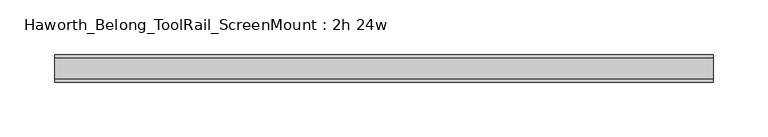
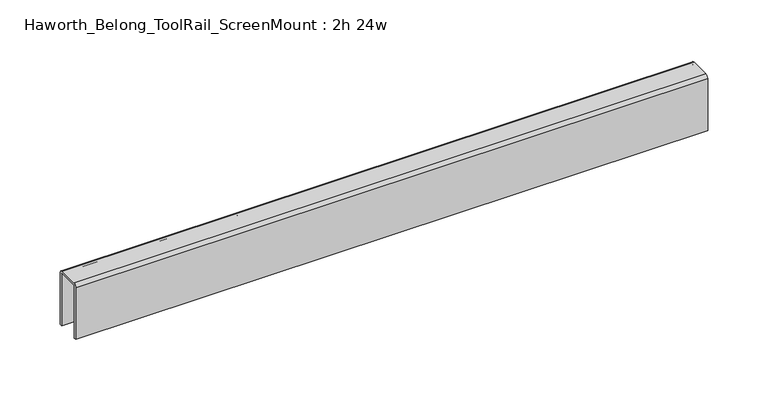
"""IFC4 building model written with IfcOpenShell, lengths in millimetres: furniture geometry, Haworth_Belong_ToolRail_ScreenMount : 2h 24w."""

from ifc_helpers import new_model, si_unit, point, frame, frame_2d, origin, place, context, project, spatial, polyline, circle_curve, trimmed, segment, composite_curve, outline, extrude, source, transform, mapped, element, save


def haworth_belong_toolrail_screenmount_2h_24w_61b9d732(model_context):
    return source(origin(), model_context, "Body", "SweptSolid", [
        extrude(outline(composite_curve([segment(trimmed(circle_curve(frame_2d((9.525, 865.1875)), 3.175), [point((9.525, 868.3625))], [point((12.7, 865.1875))], False, "CARTESIAN"), True, "CONTINUOUS"), segment(polyline([(12.7, 865.1875), (12.7, 812.8), (10.31875, 812.8), (10.31875, 865.1875)]), True, "CONTINUOUS"), segment(trimmed(circle_curve(frame_2d((9.525, 865.1875)), 0.79375), [point((10.31875, 865.1875))], [point((9.525, 865.98125))], True, "CARTESIAN"), True, "CONTINUOUS"), segment(polyline([(9.525, 865.98125), (-9.525, 865.98125)]), True, "CONTINUOUS"), segment(trimmed(circle_curve(frame_2d((-9.525, 865.1875)), 0.79375), [point((-9.525, 865.98125))], [point((-10.31875, 865.1875))], True, "CARTESIAN"), True, "CONTINUOUS"), segment(polyline([(-10.31875, 865.1875), (-10.31875, 812.8), (-12.7, 812.8), (-12.7, 865.1875)]), True, "CONTINUOUS"), segment(trimmed(circle_curve(frame_2d((-9.525, 865.1875)), 3.175), [point((-12.7, 865.1875))], [point((-9.525, 868.3625))], False, "CARTESIAN"), True, "CONTINUOUS"), segment(polyline([(-9.525, 868.3625), (9.525, 868.3625)]), True, "CONTINUOUS")], self_intersect=False)), frame((-301.625, 0.0, 0.0), z_axis=(1.0, 0.0, 0.0), x_axis=(0.0, 1.0, 0.0)), (0.0, 0.0, 1.0), 603.25),
    ])


if __name__ == "__main__":
    model = new_model("IFC4")
    model_context = context("Model", 3, world=origin())
    ifc_project = project(units=[si_unit("LENGTHUNIT", "METRE", prefix="MILLI")], contexts=[model_context])
    site = spatial("IfcSite", under=ifc_project)
    building = spatial("IfcBuilding", under=site)
    placement = place(None, origin())
    haworth_belong_toolrail_screenmount_2h_24w_shape = haworth_belong_toolrail_screenmount_2h_24w_61b9d732(model_context)
    element("IfcFurniture", 1, ObjectType="Haworth_Belong_ToolRail_ScreenMount : 2h 24w", at=placement, inside=building, context=model_context, shape_type="MappedRepresentation", body=[
        mapped(haworth_belong_toolrail_screenmount_2h_24w_shape, transform((0.0, 0.0, 0.0), x_axis=(1.0, 0.0, 0.0), y_axis=(0.0, 1.0, 0.0), z_axis=(0.0, 0.0, 1.0))),
    ])
    save(model, "model.ifc")
